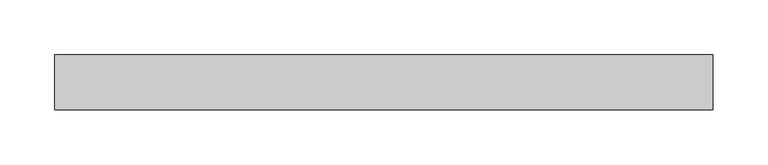
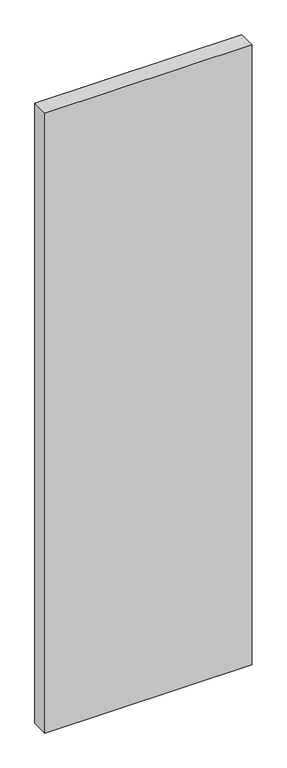
"""IFC4 building model written with IfcOpenShell, lengths in millimetres: proxy geometry."""

from ifc_helpers import new_model, si_unit, origin, origin_with_axes, place, context, project, spatial, polyline, outline, extrude, source, transform, mapped, element, save


def generic_models_fd860da2(model_context):
    return source(origin(), model_context, "Body", "SweptSolid", [
        extrude(outline(polyline([(-299.9990205, -25.0000103), (-299.9990209, 25.0000318), (299.9990205, 25.0000103), (299.9990209, -25.0000318), (-299.9990205, -25.0000103)])), origin_with_axes(), (0.0, 0.0, 1.0), 1900.0),
    ])


if __name__ == "__main__":
    model = new_model("IFC4")
    model_context = context("Model", 3, world=origin())
    ifc_project = project(units=[si_unit("LENGTHUNIT", "METRE", prefix="MILLI")], contexts=[model_context])
    site = spatial("IfcSite", under=ifc_project)
    building = spatial("IfcBuilding", under=site)
    placement = place(None, origin())
    generic_models_shape = generic_models_fd860da2(model_context)
    element("IfcBuildingElementProxy", 1, Name="Generic Models", at=placement, inside=building, context=model_context, shape_type="MappedRepresentation", body=[
        mapped(generic_models_shape, transform((0.0, 0.0, 0.0), x_axis=(1.0, 0.0, 0.0), y_axis=(0.0, 1.0, 0.0), z_axis=(0.0, 0.0, 1.0))),
    ])
    save(model, "model.ifc")
